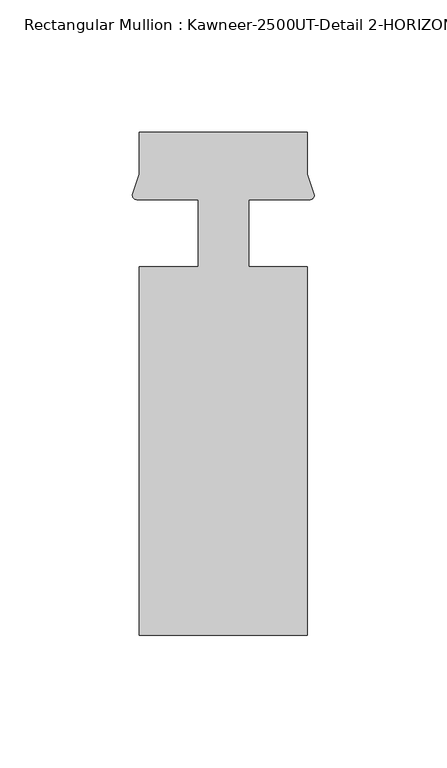
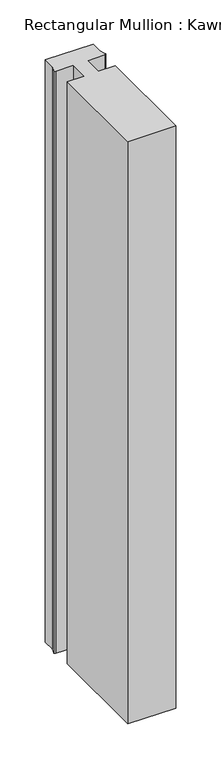
"""IFC4 building model written with IfcOpenShell, lengths in millimetres: member geometry, Rectangular Mullion : Kawneer-2500UT-Detail 2-HORIZONTAL 1 INCH INFILL."""

from ifc_helpers import new_model, si_unit, point, frame, frame_2d, origin, place, context, project, spatial, polyline, circle_curve, trimmed, segment, composite_curve, outline, extrude, source, transform, mapped, element, save


def rectangular_mullion_kawneer_2500ut_detail_2_horizontal_1_9756ef0e(model_context):
    return source(origin(), model_context, "Body", "SweptSolid", [
        extrude(outline(composite_curve([segment(polyline([(31.75, 25.3880937), (31.75, 9.5131914), (34.4008552, 1.576523)]), True, "CONTINUOUS"), segment(trimmed(circle_curve(frame_2d((32.7012373, 1.6895058)), 1.703369), [point((34.4008552, 1.576523))], [point((32.7841288, -0.0118452))], False, "CARTESIAN"), True, "CONTINUOUS"), segment(trimmed(circle_curve(frame_2d((27.4492482, -461.0197259)), 461.0387479), [point((32.7841288, -0.0118452))], [point((9.525, -0.329539))], True, "CARTESIAN"), True, "CONTINUOUS"), segment(polyline([(9.525, -0.329539), (9.525, -25.4119063), (31.75, -25.4119063), (31.75, -164.6039062), (-31.75, -164.6039063), (-31.75, -25.4119063), (-9.525, -25.4119063), (-9.525, -0.329539)]), True, "CONTINUOUS"), segment(trimmed(circle_curve(frame_2d((-27.4492482, -461.0197259)), 461.0387479), [point((-9.525, -0.329539))], [point((-32.7841288, -0.0118452))], True, "CARTESIAN"), True, "CONTINUOUS"), segment(trimmed(circle_curve(frame_2d((-32.7012373, 1.6895058)), 1.703369), [point((-32.7841288, -0.0118452))], [point((-34.4008552, 1.576523))], False, "CARTESIAN"), True, "CONTINUOUS"), segment(polyline([(-34.4008552, 1.576523), (-31.75, 9.5131914), (-31.75, 25.3880937), (31.75, 25.3880937)]), True, "CONTINUOUS")], self_intersect=False)), frame((0.0, 0.0, -819.15), z_axis=(0.0, 0.0, 1.0), x_axis=(1.0, 0.0, 0.0)), (0.0, 0.0, 1.0), 819.15),
    ])


if __name__ == "__main__":
    model = new_model("IFC4")
    model_context = context("Model", 3, world=origin())
    ifc_project = project(units=[si_unit("LENGTHUNIT", "METRE", prefix="MILLI")], contexts=[model_context])
    site = spatial("IfcSite", under=ifc_project)
    building = spatial("IfcBuilding", under=site)
    placement = place(None, origin())
    rectangular_mullion_kawneer_2500ut_detail_2_horizontal_1_shape = rectangular_mullion_kawneer_2500ut_detail_2_horizontal_1_9756ef0e(model_context)
    element("IfcMember", 1, ObjectType="Rectangular Mullion : Kawneer-2500UT-Detail 2-HORIZONTAL 1 INCH INFILL", at=placement, inside=building, context=model_context, shape_type="MappedRepresentation", body=[
        mapped(rectangular_mullion_kawneer_2500ut_detail_2_horizontal_1_shape, transform((0.0, 0.0, 0.0), x_axis=(1.0, 0.0, 0.0), y_axis=(0.0, 1.0, 0.0), z_axis=(0.0, 0.0, 1.0))),
    ])
    save(model, "model.ifc")
